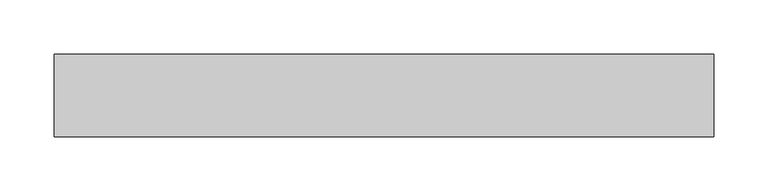
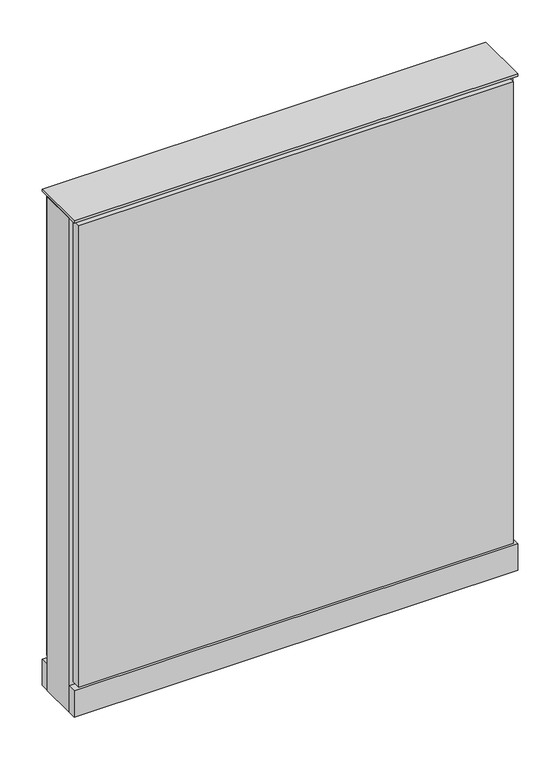
"""IFC4 building model written with IfcOpenShell, lengths in millimetres: furniture geometry."""

import ifcopenshell
import ifcopenshell.guid

model = None  # the IFC model being written
_history = None  # IfcOwnerHistory: only IFC2X3 demands one
_inside = {}  # id of a spatial element -> (the spatial element, [elements in it])
_under = {}  # id of a project, library or spatial element -> (it, [spatial elements below it])
_declared = {}  # id of a project -> (the project, [libraries it declares])
_typed = {}  # id of a type object -> (the type object, [elements of that type])
_made_of = {}  # id of a material, layer set ... -> (it, [elements and type objects made of it])


def new_model(schema):
    """Start an empty IFC model of exactly this schema.

    Asked for "IFC4X3", IfcOpenShell would pick the latest addendum, in which some entities
    have other attributes; the version numbers below select the first issue.
    IFC2X3 requires an IfcOwnerHistory on every rooted entity: one is made here for all.
    """
    global model, _history
    if schema == "IFC4X3":
        model = ifcopenshell.file(schema_version=(4, 3, 0, 0))
    else:
        model = ifcopenshell.file(schema=schema)
    _inside.clear()
    _under.clear()
    _declared.clear()
    _typed.clear()
    _made_of.clear()
    _history = None
    if model.schema == "IFC2X3":
        org = make("IfcOrganization", Name="unknown")
        user = make(
            "IfcPersonAndOrganization",
            ThePerson=make("IfcPerson", FamilyName="unknown"),
            TheOrganization=org,
        )
        app = make(
            "IfcApplication",
            ApplicationDeveloper=org,
            Version="unknown",
            ApplicationFullName="unknown",
            ApplicationIdentifier="unknown",
        )
        _history = make(
            "IfcOwnerHistory",
            OwningUser=user,
            OwningApplication=app,
            ChangeAction="ADDED",
            CreationDate=0,
        )
    return model


def make(cls, **values):
    """One entity of the class cls with the attributes given. An attribute that is None is left unset."""
    return model.create_entity(
        cls, **{name: value for name, value in values.items() if value is not None}
    )


def rooted(cls, **values):
    """An entity with a GlobalId (a new one), such as an element, a storey or a relation."""
    return make(cls, GlobalId=ifcopenshell.guid.new(), OwnerHistory=_history, **values)


def si_unit(unit_type, name, prefix=None):
    """IfcSIUnit, for example si_unit("LENGTHUNIT", "METRE", prefix="MILLI")."""
    return make("IfcSIUnit", UnitType=unit_type, Prefix=prefix, Name=name)


def assignment(units):
    """IfcUnitAssignment: the units of a project."""
    return None if units is None else make("IfcUnitAssignment", Units=units)


def point(xyz):
    """IfcCartesianPoint."""
    return None if xyz is None else make("IfcCartesianPoint", Coordinates=xyz)


def direction(xyz):
    """IfcDirection."""
    return None if xyz is None else make("IfcDirection", DirectionRatios=xyz)


def frame(location, z_axis=None, x_axis=None):
    """IfcAxis2Placement3D, a coordinate frame: its origin and axes. An axis left out is left unset."""
    return make(
        "IfcAxis2Placement3D",
        Location=point(location),
        Axis=direction(z_axis),
        RefDirection=direction(x_axis),
    )


def frame_2d(location, x_axis=None):
    """IfcAxis2Placement2D, a coordinate frame in the plane: its origin and x axis."""
    return make(
        "IfcAxis2Placement2D", Location=point(location), RefDirection=direction(x_axis)
    )


def origin():
    """The frame at (0, 0, 0) with its axes left unset."""
    return frame((0.0, 0.0, 0.0))


def origin_with_axes():
    """The frame at (0, 0, 0) with the z axis (0, 0, 1) and the x axis (1, 0, 0) written out."""
    return frame((0.0, 0.0, 0.0), z_axis=(0.0, 0.0, 1.0), x_axis=(1.0, 0.0, 0.0))


def place(relative_to, where):
    """IfcLocalPlacement: puts the frame where relative to a parent placement (None: the world)."""
    return make(
        "IfcLocalPlacement", PlacementRelTo=relative_to, RelativePlacement=where
    )


def context(
    kind, dimensions, precision=None, world=None, true_north=None, identifier=None
):
    """IfcGeometricRepresentationContext, for example the 3D "Model" context."""
    return make(
        "IfcGeometricRepresentationContext",
        ContextIdentifier=identifier,
        ContextType=kind,
        CoordinateSpaceDimension=dimensions,
        Precision=precision,
        WorldCoordinateSystem=world,
        TrueNorth=true_north,
    )


def project(units=None, contexts=None):
    """IfcProject with its units and contexts."""
    return rooted(
        "IfcProject",
        Name="project",
        RepresentationContexts=contexts,
        UnitsInContext=assignment(units),
    )


def spatial(cls, under=None, at=None, **own):
    """A site, building, storey or space (cls), placed at a placement, below another one or the project."""
    s = rooted(cls, ObjectPlacement=at, **own)
    if under is not None:
        _under.setdefault(under.id(), (under, []))[1].append(s)
    return s


def polyline(points):
    """IfcPolyline through the points."""
    return make("IfcPolyline", Points=[point(p) for p in points])


def circle_curve(where, radius):
    """IfcCircle in the frame where."""
    return make("IfcCircle", Position=where, Radius=radius)


def trimmed(basis, trim1, trim2, sense, master):
    """IfcTrimmedCurve: the piece of a basis curve between two trims."""
    return make(
        "IfcTrimmedCurve",
        BasisCurve=basis,
        Trim1=trim1,
        Trim2=trim2,
        SenseAgreement=sense,
        MasterRepresentation=master,
    )


def segment(curve, same_sense, transition):
    """IfcCompositeCurveSegment."""
    return make(
        "IfcCompositeCurveSegment",
        Transition=transition,
        SameSense=same_sense,
        ParentCurve=curve,
    )


def composite_curve(segments, self_intersect=None):
    """IfcCompositeCurve: segments joined end to end."""
    return make("IfcCompositeCurve", Segments=segments, SelfIntersect=self_intersect)


def outline(outer, holes=None, kind="AREA"):
    """IfcArbitraryClosedProfileDef: a profile drawn as a closed curve; with holes, ...WithVoids."""
    if holes is None:
        return make("IfcArbitraryClosedProfileDef", ProfileType=kind, OuterCurve=outer)
    return make(
        "IfcArbitraryProfileDefWithVoids",
        ProfileType=kind,
        OuterCurve=outer,
        InnerCurves=holes,
    )


def extrude(swept, where, along, depth):
    """IfcExtrudedAreaSolid: the profile swept, set in the frame where, extruded along a direction by depth."""
    return make(
        "IfcExtrudedAreaSolid",
        SweptArea=swept,
        Position=where,
        ExtrudedDirection=direction(along),
        Depth=depth,
    )


def shape(context_of_items, identifier, shape_type, items):
    """IfcShapeRepresentation: the items that make up one representation, for example the "Body"."""
    return make(
        "IfcShapeRepresentation",
        ContextOfItems=context_of_items,
        RepresentationIdentifier=identifier,
        RepresentationType=shape_type,
        Items=items,
    )


def source(mapping_origin, context_of_items, identifier, shape_type, items):
    """IfcRepresentationMap: a shape defined once, which mapped items show again and again."""
    return make(
        "IfcRepresentationMap",
        MappingOrigin=mapping_origin,
        MappedRepresentation=shape(context_of_items, identifier, shape_type, items),
    )


def transform(
    local_origin,
    x_axis=None,
    y_axis=None,
    z_axis=None,
    scale=None,
    scale2=None,
    scale3=None,
    uniform=True,
):
    """IfcCartesianTransformationOperator3D, or its non-uniform kind. x_axis, y_axis, z_axis: its Axis1, 2, 3."""
    if uniform:
        return make(
            "IfcCartesianTransformationOperator3D",
            Axis1=direction(x_axis),
            Axis2=direction(y_axis),
            LocalOrigin=point(local_origin),
            Scale=scale,
            Axis3=direction(z_axis),
        )
    return make(
        "IfcCartesianTransformationOperator3DnonUniform",
        Axis1=direction(x_axis),
        Axis2=direction(y_axis),
        LocalOrigin=point(local_origin),
        Scale=scale,
        Axis3=direction(z_axis),
        Scale2=scale2,
        Scale3=scale3,
    )


def mapped(mapping_source, mapping_target):
    """IfcMappedItem: shows the shape of a source again, moved by a transform."""
    return make(
        "IfcMappedItem", MappingSource=mapping_source, MappingTarget=mapping_target
    )


def made_of(thing, what):
    """Note that an element or type object is made of a material, layer set ...; save() writes the relation."""
    if what is not None:
        _made_of.setdefault(what.id(), (what, []))[1].append(thing)
    return thing


def element(
    cls,
    number,
    at=None,
    inside=None,
    cuts=None,
    type_object=None,
    material=None,
    context=None,
    identifier="Body",
    shape_type=None,
    held_by="IfcProductDefinitionShape",
    body=None,
    shapes=None,
    **own,
):
    """One element of the class cls, such as IfcWall. Its Tag is "e" and its number.

    at: its placement. inside: the storey or other place that contains it. cuts: it is an
    opening in that element (IfcRelVoidsElement). A single representation is given by context,
    identifier, shape_type and body (its items); several are given by shapes. held_by: the class
    of the entity that holds the representations. save() writes the other relations.
    """
    e = rooted(cls, Tag="e%d" % number, ObjectPlacement=at, **own)
    if body is not None:
        shapes = [shape(context, identifier, shape_type, body)]
    if shapes is not None:
        e.Representation = make(held_by, Representations=shapes)
    if inside is not None:
        _inside.setdefault(inside.id(), (inside, []))[1].append(e)
    if cuts is not None:
        rooted(
            "IfcRelVoidsElement", RelatingBuildingElement=cuts, RelatedOpeningElement=e
        )
    if type_object is not None:
        _typed.setdefault(type_object.id(), (type_object, []))[1].append(e)
    return made_of(e, material)


def aggregate(whole, parts):
    """IfcRelAggregates: a whole, such as a stair, and the parts it consists of."""
    return rooted("IfcRelAggregates", RelatingObject=whole, RelatedObjects=parts)


def save(model, path):
    """Write the relations noted so far, then the file.

    IfcRelAggregates (storeys below a building ...), IfcRelContainedInSpatialStructure (elements
    in a storey), IfcRelDefinesByType, IfcRelAssociatesMaterial and IfcRelDeclares: one each for
    every whole, place, type object, material and project.
    """
    for whole, parts in _under.values():
        aggregate(whole, parts)
    for where, things in _inside.values():
        rooted(
            "IfcRelContainedInSpatialStructure",
            RelatedElements=things,
            RelatingStructure=where,
        )
    for kind, things in _typed.values():
        rooted("IfcRelDefinesByType", RelatedObjects=things, RelatingType=kind)
    for what, things in _made_of.values():
        rooted("IfcRelAssociatesMaterial", RelatedObjects=things, RelatingMaterial=what)
    for by, libraries in _declared.values():
        rooted("IfcRelDeclares", RelatingContext=by, RelatedDefinitions=libraries)
    model.write(path)


def furniture_48e1359b(model_context):
    return source(origin(), model_context, "Body", "SweptSolid", [
        extrude(outline(composite_curve([segment(trimmed(circle_curve(frame_2d((231.0402902, 0.0)), 12.7), [point((218.3402902, 0.0))], [point((243.7402902, 0.0))], False, "CARTESIAN"), True, "CONTINUOUS"), segment(trimmed(circle_curve(frame_2d((231.0402902, 0.0)), 12.7), [point((243.7402902, 0.0))], [point((218.3402902, 0.0))], False, "CARTESIAN"), True, "CONTINUOUS")], self_intersect=False)), origin_with_axes(), (0.0, 0.0, 1.0), 12.7),
        extrude(outline(composite_curve([segment(trimmed(circle_curve(frame_2d((-226.1597098, 0.0)), 12.7), [point((-238.8597098, 0.0))], [point((-213.4597098, 0.0))], False, "CARTESIAN"), True, "CONTINUOUS"), segment(trimmed(circle_curve(frame_2d((-226.1597098, 0.0)), 12.7), [point((-213.4597098, 0.0))], [point((-238.8597098, 0.0))], False, "CARTESIAN"), True, "CONTINUOUS")], self_intersect=False)), origin_with_axes(), (0.0, 0.0, 1.0), 12.7),
        extrude(outline(polyline([(300.8902902, 38.1), (300.8902902, 25.4), (-296.0097098, 25.4), (-296.0097098, 38.1), (300.8902902, 38.1)])), frame((0.0, 0.0, 53.975), z_axis=(0.0, 0.0, 1.0), x_axis=(1.0, 0.0, 0.0)), (0.0, 0.0, 1.0), 669.925),
        extrude(outline(polyline([(300.8902902, -38.1), (-296.0097098, -38.1), (-296.0097098, -25.4), (300.8902902, -25.4), (300.8902902, -38.1)])), frame((0.0, 0.0, 53.975), z_axis=(0.0, 0.0, 1.0), x_axis=(1.0, 0.0, 0.0)), (0.0, 0.0, 1.0), 669.925),
        extrude(outline(polyline([(307.2402902, 25.4), (307.2402902, -25.4), (-302.3597098, -25.4), (-302.3597098, 25.4), (307.2402902, 25.4)])), frame((0.0, 0.0, 12.7), z_axis=(0.0, 0.0, 1.0), x_axis=(1.0, 0.0, 0.0)), (0.0, 0.0, 1.0), 717.55),
        extrude(outline(polyline([(-302.3597098, -38.1), (-302.3597098, 38.1), (307.2402902, 38.1), (307.2402902, -38.1), (-302.3597098, -38.1)])), frame((0.0, 0.0, 12.7), z_axis=(0.0, 0.0, 1.0), x_axis=(1.0, 0.0, 0.0)), (0.0, 0.0, 1.0), 38.1),
        extrude(outline(polyline([(-302.3597098, -38.1), (-302.3597098, 38.1), (307.2402902, 38.1), (307.2402902, -38.1), (-302.3597098, -38.1)])), frame((0.0, 0.0, 730.25), z_axis=(0.0, 0.0, 1.0), x_axis=(1.0, 0.0, 0.0)), (0.0, 0.0, 1.0), 3.175),
    ])


if __name__ == "__main__":
    model = new_model("IFC4")
    model_context = context("Model", 3, world=origin())
    ifc_project = project(units=[si_unit("LENGTHUNIT", "METRE", prefix="MILLI")], contexts=[model_context])
    site = spatial("IfcSite", under=ifc_project)
    building = spatial("IfcBuilding", under=site)
    placement = place(None, origin())
    furniture_shape = furniture_48e1359b(model_context)
    element("IfcFurniture", 1, at=placement, inside=building, context=model_context, shape_type="MappedRepresentation", body=[
        mapped(furniture_shape, transform((0.0, 0.0, 0.0), x_axis=(1.0, 0.0, 0.0), y_axis=(0.0, 1.0, 0.0), z_axis=(0.0, 0.0, 1.0))),
    ])
    save(model, "model.ifc")
